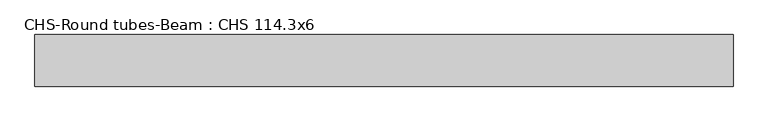
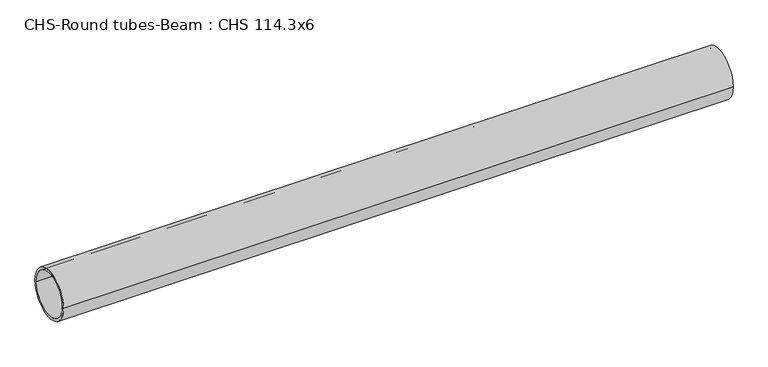
"""IFC4 building model written with IfcOpenShell, lengths in millimetres: beam geometry, CHS-Round tubes-Beam : CHS 114.3x6."""

from ifc_helpers import new_model, si_unit, point, frame, origin, origin_2d, place, context, project, spatial, circle_curve, trimmed, segment, composite_curve, outline, extrude, source, transform, mapped, element, save


def chs_round_tubes_beam_chs_114_3x6_f472d5fb(model_context):
    return source(origin(), model_context, "Body", "SweptSolid", [
        extrude(outline(composite_curve([segment(trimmed(circle_curve(origin_2d(), 57.15), [point((57.15, 0.0))], [point((-57.15, 0.0))], False, "CARTESIAN"), True, "CONTINUOUS"), segment(trimmed(circle_curve(origin_2d(), 57.15), [point((-57.15, 0.0))], [point((57.15, 0.0))], False, "CARTESIAN"), True, "CONTINUOUS")], self_intersect=False), holes=[composite_curve([segment(trimmed(circle_curve(origin_2d(), 51.15), [point((51.15, 0.0))], [point((-51.15, 0.0))], True, "CARTESIAN"), True, "CONTINUOUS"), segment(trimmed(circle_curve(origin_2d(), 51.15), [point((-51.15, 0.0))], [point((51.15, 0.0))], True, "CARTESIAN"), True, "CONTINUOUS")], self_intersect=False)]), frame((-785.5372328, 0.0, 0.0), z_axis=(1.0, 0.0, 0.0), x_axis=(0.0, 1.0, 0.0)), (0.0, 0.0, 1.0), 1545.878676),
    ])


if __name__ == "__main__":
    model = new_model("IFC4")
    model_context = context("Model", 3, world=origin())
    ifc_project = project(units=[si_unit("LENGTHUNIT", "METRE", prefix="MILLI")], contexts=[model_context])
    site = spatial("IfcSite", under=ifc_project)
    building = spatial("IfcBuilding", under=site)
    placement = place(None, origin())
    chs_round_tubes_beam_chs_114_3x6_shape = chs_round_tubes_beam_chs_114_3x6_f472d5fb(model_context)
    element("IfcBeam", 1, ObjectType="CHS-Round tubes-Beam : CHS 114.3x6", at=placement, inside=building, context=model_context, shape_type="MappedRepresentation", body=[
        mapped(chs_round_tubes_beam_chs_114_3x6_shape, transform((0.0, 0.0, 0.0), x_axis=(1.0, 0.0, 0.0), y_axis=(0.0, 1.0, 0.0), z_axis=(0.0, 0.0, 1.0))),
    ])
    save(model, "model.ifc")
